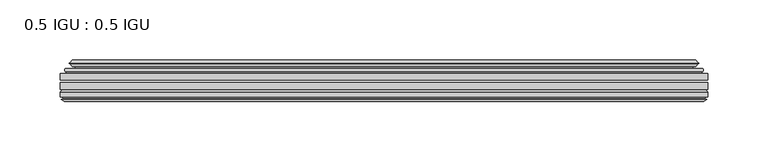
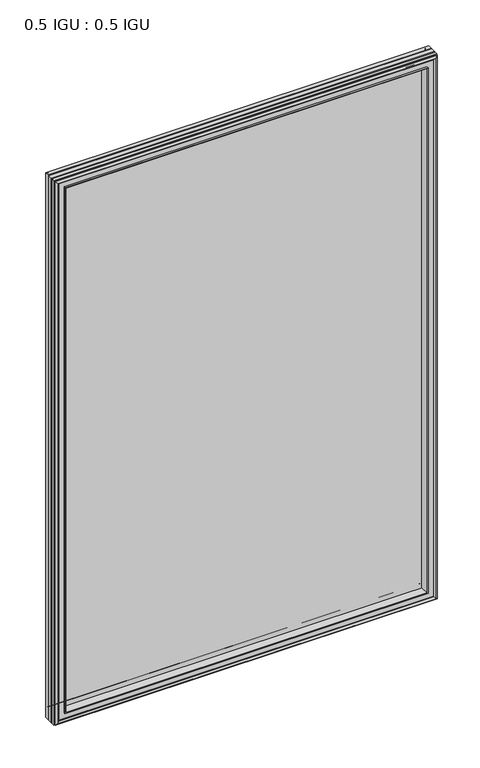
"""IFC4 building model written with IfcOpenShell, lengths in millimetres: plate geometry, 0.5 IGU : 0.5 IGU."""

from ifc_helpers import new_model, si_unit, frame, origin, place, context, project, spatial, polyline, ellipse_curve, outline, extrude, faceted_brep, source, transform, mapped, element, save
from ifc_brep_helpers import plane_surface, cylinder_surface, revolved_surface, advanced_brep


def plate_0_5_igu_0_5_igu_1cdc6102(model_context):
    return source(origin(), model_context, "Body", "SolidModel", [
        extrude(outline(polyline([(268.301675, -55.82285), (268.301675, -61.48705), (-268.2875, -61.48705), (-268.2875, -55.82285), (268.301675, -55.82285)])), frame((0.0, 0.0, -14.2875), z_axis=(0.0, 0.0, 1.0), x_axis=(1.0, 0.0, 0.0)), (0.0, 0.0, 1.0), 806.4537979),
        extrude(outline(polyline([(-268.2875, -69.05625), (-268.2875, -63.39205), (268.301675, -63.39205), (268.301675, -69.05625), (-268.2875, -69.05625)])), frame((0.0, 0.0, -14.2875), z_axis=(0.0, 0.0, 1.0), x_axis=(1.0, 0.0, 0.0)), (0.0, 0.0, 1.0), 806.4537979),
        advanced_brep(
        [(-264.1849626, -54.3724927, 788.0599626), (-263.1404378, -51.60645, 787.0154378), (-263.1404378, -51.60645, -9.1404378), (-264.1849626, -54.3724927, -10.1849626), (-262.548517, -55.82285, 786.423517), (-262.548517, -55.82285, -8.548517), (-254.0, -45.63745, 777.875), (-250.4172761, -55.82285, 774.2922761), (-250.4172761, -55.82285, 3.5827239), (-254.0, -45.63745, 0.0), (-259.1859109, -46.8185491, 783.0609109), (-259.1859109, -46.8185491, -5.1859109), (-258.3888893, -44.8183085, 782.2638893), (-258.3888893, -44.8183085, -4.3888893), (-260.6726111, -47.135817, 784.5476111), (-260.6726111, -47.135817, -6.6726111), (-260.6726111, -47.8489429, 784.5476111), (-260.6726111, -47.8489429, -6.6726111), (-258.3888893, -50.1664515, 782.2638893), (-258.3888893, -50.1664515, -4.3888893), (-259.1782501, -48.1854367, 783.0532501), (-259.1782501, -48.1854367, -5.1782501), (-256.6544379, -48.027045, 780.5294379), (-256.6544379, -48.027045, -2.6544379), (-255.6286217, -48.7147544, 779.5036217), (-255.6286217, -48.7147544, -1.6286217), (-255.7470288, -50.1092231, 779.6220288), (-255.7470288, -50.1092231, -1.7470288), (-256.3487748, -51.60645, 780.2237748), (-256.3487748, -51.60645, -2.3487748), (263.1404378, -51.60645, -9.1404378), (264.1849626, -54.3724927, -10.1849626), (262.548517, -55.82285, -8.548517), (250.4172761, -55.82285, 3.5827239), (254.0, -45.63745, 0.0), (259.1859109, -46.8185491, -5.1859109), (258.3888893, -44.8183085, -4.3888893), (260.6726111, -47.135817, -6.6726111), (260.6726111, -47.8489429, -6.6726111), (258.3888893, -50.1664515, -4.3888893), (259.1782501, -48.1854367, -5.1782501), (256.6544379, -48.027045, -2.6544379), (255.6286217, -48.7147544, -1.6286217), (255.7470288, -50.1092231, -1.7470288), (256.3487748, -51.60645, -2.3487748), (263.1404378, -51.60645, 787.0154378), (264.1849626, -54.3724927, 788.0599626), (262.548517, -55.82285, 786.423517), (250.4172761, -55.82285, 774.2922761), (254.0, -45.63745, 777.875), (259.1859109, -46.8185491, 783.0609109), (258.3888893, -44.8183085, 782.2638893), (260.6726111, -47.135817, 784.5476111), (260.6726111, -47.8489429, 784.5476111), (258.3888893, -50.1664515, 782.2638893), (259.1782501, -48.1854367, 783.0532501), (256.6544379, -48.027045, 780.5294379), (255.6286217, -48.7147544, 779.5036217), (255.7470288, -50.1092231, 779.6220288), (256.3487748, -51.60645, 780.2237748)],
        [
            (0, 1, ellipse_curve(frame((-263.1320703, -53.1898501, 787.0070703), z_axis=(-0.7071067811865475, 0.0, -0.7071067811865475), x_axis=(-0.7071067811865474, 0.0, 0.7071067811865476)), 2.2392971, 1.5834222)),
            (1, 2),
            (2, 3, ellipse_curve(frame((-263.1320703, -53.1898501, -9.1320703), z_axis=(-0.7071067811865475, 0.0, 0.7071067811865475), x_axis=(0.7071067811865474, 0.0, 0.7071067811865476)), 2.2392971, 1.5834222)),
            (3, 0),
            (4, 0),
            (3, 5),
            (5, 4),
            (6, 7, ellipse_curve(frame((-221.720246, -40.0058297, 745.595246), z_axis=(0.7071067811865475, 0.0, 0.7071067811865475), x_axis=(0.7071067811865474, 0.0, -0.7071067811865476)), 46.3399971, 32.7673262)),
            (7, 8),
            (8, 9, ellipse_curve(frame((-221.720246, -40.0058297, 32.279754), z_axis=(0.7071067811865475, 0.0, -0.7071067811865475), x_axis=(-0.7071067811865474, 0.0, -0.7071067811865476)), 46.3399971, 32.7673262)),
            (9, 6),
            (10, 6),
            (9, 11),
            (11, 10),
            (12, 10),
            (11, 13),
            (13, 12),
            (14, 12),
            (13, 15),
            (15, 14),
            (16, 14, ellipse_curve(frame((-260.3107729, -47.49238, 784.1857729), z_axis=(-0.7071067811865475, 0.0, -0.7071067811865475), x_axis=(-0.7071067811865474, 0.0, 0.7071067811865476)), 0.7184205, 0.508)),
            (15, 17, ellipse_curve(frame((-260.3107729, -47.49238, -6.3107729), z_axis=(-0.7071067811865475, 0.0, 0.7071067811865475), x_axis=(0.7071067811865474, 0.0, 0.7071067811865476)), 0.7184205, 0.508)),
            (17, 16),
            (18, 16),
            (17, 19),
            (19, 18),
            (20, 18),
            (19, 21),
            (21, 20),
            (22, 20),
            (21, 23),
            (23, 22),
            (24, 22, ellipse_curve(frame((-256.5908, -49.04105, 780.4658), z_axis=(0.7071067811865475, 0.0, 0.7071067811865475), x_axis=(0.7071067811865474, 0.0, -0.7071067811865476)), 1.436841, 1.016)),
            (23, 25, ellipse_curve(frame((-256.5908, -49.04105, -2.5908), z_axis=(0.7071067811865475, 0.0, -0.7071067811865475), x_axis=(-0.7071067811865474, 0.0, -0.7071067811865476)), 1.436841, 1.016)),
            (25, 24),
            (26, 24, ellipse_curve(frame((-257.9624, -49.21885, 781.8374), z_axis=(0.7071067811865475, 0.0, 0.7071067811865475), x_axis=(0.7071067811865474, 0.0, -0.7071067811865476)), 3.3765763, 2.3876)),
            (25, 27, ellipse_curve(frame((-257.9624, -49.21885, -3.9624), z_axis=(0.7071067811865475, 0.0, -0.7071067811865475), x_axis=(-0.7071067811865474, 0.0, -0.7071067811865476)), 3.3765763, 2.3876)),
            (27, 26),
            (28, 26),
            (27, 29),
            (29, 28),
            (2, 30),
            (30, 31, ellipse_curve(frame((263.1320703, -53.1898501, -9.1320703), z_axis=(-0.7071067811865475, 0.0, -0.7071067811865475), x_axis=(-0.7071067811865476, 0.0, 0.7071067811865474)), 2.2392971, 1.5834222)),
            (31, 3),
            (31, 32),
            (32, 5),
            (8, 33),
            (33, 34, ellipse_curve(frame((221.720246, -40.0058297, 32.279754), z_axis=(0.7071067811865475, 0.0, 0.7071067811865475), x_axis=(0.7071067811865476, 0.0, -0.7071067811865474)), 46.3399971, 32.7673262)),
            (34, 9),
            (34, 35),
            (35, 11),
            (35, 36),
            (36, 13),
            (36, 37),
            (37, 15),
            (37, 38, ellipse_curve(frame((260.3107729, -47.49238, -6.3107729), z_axis=(-0.7071067811865475, 0.0, -0.7071067811865475), x_axis=(-0.7071067811865476, 0.0, 0.7071067811865474)), 0.7184205, 0.508)),
            (38, 17),
            (38, 39),
            (39, 19),
            (39, 40),
            (40, 21),
            (40, 41),
            (41, 23),
            (41, 42, ellipse_curve(frame((256.5908, -49.04105, -2.5908), z_axis=(0.7071067811865475, 0.0, 0.7071067811865475), x_axis=(0.7071067811865476, 0.0, -0.7071067811865474)), 1.436841, 1.016)),
            (42, 25),
            (42, 43, ellipse_curve(frame((257.9624, -49.21885, -3.9624), z_axis=(0.7071067811865475, 0.0, 0.7071067811865475), x_axis=(0.7071067811865476, 0.0, -0.7071067811865474)), 3.3765763, 2.3876)),
            (43, 27),
            (43, 44),
            (44, 29),
            (30, 45),
            (45, 46, ellipse_curve(frame((263.1320703, -53.1898501, 787.0070703), z_axis=(0.7071067811865475, 0.0, -0.7071067811865475), x_axis=(-0.7071067811865474, 0.0, -0.7071067811865476)), 2.2392971, 1.5834222)),
            (46, 31),
            (46, 47),
            (47, 32),
            (33, 48),
            (48, 49, ellipse_curve(frame((221.720246, -40.0058297, 745.595246), z_axis=(-0.7071067811865475, 0.0, 0.7071067811865475), x_axis=(0.7071067811865474, 0.0, 0.7071067811865476)), 46.3399971, 32.7673262)),
            (49, 34),
            (49, 50),
            (50, 35),
            (50, 51),
            (51, 36),
            (51, 52),
            (52, 37),
            (52, 53, ellipse_curve(frame((260.3107729, -47.49238, 784.1857729), z_axis=(0.7071067811865475, 0.0, -0.7071067811865475), x_axis=(-0.7071067811865474, 0.0, -0.7071067811865476)), 0.7184205, 0.508)),
            (53, 38),
            (53, 54),
            (54, 39),
            (54, 55),
            (55, 40),
            (55, 56),
            (56, 41),
            (56, 57, ellipse_curve(frame((256.5908, -49.04105, 780.4658), z_axis=(-0.7071067811865475, 0.0, 0.7071067811865475), x_axis=(0.7071067811865474, 0.0, 0.7071067811865476)), 1.436841, 1.016)),
            (57, 42),
            (57, 58, ellipse_curve(frame((257.9624, -49.21885, 781.8374), z_axis=(-0.7071067811865475, 0.0, 0.7071067811865475), x_axis=(0.7071067811865474, 0.0, 0.7071067811865476)), 3.3765763, 2.3876)),
            (58, 43),
            (58, 59),
            (59, 44),
            (45, 1),
            (0, 46),
            (4, 47),
            (7, 48),
            (6, 49),
            (10, 50),
            (12, 51),
            (14, 52),
            (16, 53),
            (18, 54),
            (20, 55),
            (22, 56),
            (24, 57),
            (26, 58),
            (28, 59),
        ],
        [
            cylinder_surface(frame((-263.1320703, -53.1898501, 809.625), z_axis=(0.0, 0.0, 1.0), x_axis=(-1.0, 0.0, 0.0)), 1.5834222),
            plane_surface(frame((-264.1849626, -54.3724927, 788.0599626), z_axis=(-0.6632745773184306, -0.7483761320907135, 0.0), x_axis=(0.0, 0.0, -1.0))),
            revolved_surface(polyline([(-254.4875722, -40.0058297, -0.48757218957496207), (-254.4875722, -40.0058297, 778.362572189575)]), (-221.720246, -40.0058297, 809.625), (0.0, 0.0, -1.0)),
            plane_surface(frame((-254.0, -45.63745, 777.875), z_axis=(-0.2220649844278743, 0.975031867525902, 0.0), x_axis=(0.0, 0.0, -1.0))),
            plane_surface(frame((-259.1859109, -46.8185491, 783.0609109), z_axis=(0.928968268563027, -0.37015936568323066, 0.0), x_axis=(0.0, 0.0, -1.0))),
            plane_surface(frame((-258.3888893, -44.8183085, 782.2638893), z_axis=(-0.7122798501733482, 0.7018955869907096, 0.0), x_axis=(0.0, 0.0, -1.0))),
            cylinder_surface(frame((-260.3107729, -47.49238, 809.625), z_axis=(0.0, 0.0, 1.0), x_axis=(-1.0, 0.0, 0.0)), 0.508),
            plane_surface(frame((-260.6726111, -47.8489429, 784.5476111), z_axis=(-0.7122798501732925, -0.701895586990766, 0.0), x_axis=(0.0, 0.0, -1.0))),
            plane_surface(frame((-258.3888893, -50.1664515, 782.2638893), z_axis=(0.9289682685628707, 0.3701593656836228, 0.0), x_axis=(0.0, 0.0, -1.0))),
            plane_surface(frame((-259.1782501, -48.1854367, 783.0532501), z_axis=(0.0626357011928498, -0.9980364567169279, 0.0), x_axis=(0.0, 0.0, -1.0))),
            revolved_surface(polyline([(-257.6068, -49.04105, -3.606800014586838), (-257.6068, -49.04105, 781.4818000145868)]), (-256.5908, -49.04105, 809.625), (0.0, 0.0, -1.0)),
            revolved_surface(polyline([(-260.35, -49.21885, -6.3499999989237494), (-260.35, -49.21885, 784.2249999989237)]), (-257.9624, -49.21885, 809.625), (0.0, 0.0, -1.0)),
            plane_surface(frame((-255.7470288, -50.1092231, 779.6220288), z_axis=(-0.9278652925428184, 0.3729155385532094, 0.0), x_axis=(0.0, 0.0, -1.0))),
            cylinder_surface(frame((-285.75, -53.1898501, -9.1320703), z_axis=(-1.0, 0.0, 0.0), x_axis=(0.0, 0.0, -1.0)), 1.5834222),
            plane_surface(frame((-264.1849626, -54.3724927, -10.1849626), z_axis=(0.0, -0.7483761320907157, -0.6632745773184283), x_axis=(1.0, 0.0, 0.0))),
            revolved_surface(polyline([(254.48757218957496, -40.0058297, -0.48757220000000245), (-254.48757218957493, -40.0058297, -0.48757220000000245)]), (-285.75, -40.0058297, 32.279754), (1.0, 0.0, 0.0)),
            plane_surface(frame((-254.0, -45.63745, 0.0), z_axis=(0.0, 0.9750318675259013, -0.22206498442787745), x_axis=(1.0, 0.0, 0.0))),
            plane_surface(frame((-259.1859109, -46.8185491, -5.1859109), z_axis=(0.0, -0.37015936568322766, 0.9289682685630283), x_axis=(1.0, 0.0, 0.0))),
            plane_surface(frame((-258.3888893, -44.8183085, -4.3888893), z_axis=(0.0, 0.7018955869907073, -0.7122798501733504), x_axis=(1.0, 0.0, 0.0))),
            cylinder_surface(frame((-285.75, -47.49238, -6.3107729), z_axis=(-1.0, 0.0, 0.0), x_axis=(0.0, 0.0, -1.0)), 0.508),
            plane_surface(frame((-260.6726111, -47.8489429, -6.6726111), z_axis=(0.0, -0.7018955869907684, -0.7122798501732903), x_axis=(1.0, 0.0, 0.0))),
            plane_surface(frame((-258.3888893, -50.1664515, -4.3888893), z_axis=(0.0, 0.37015936568362584, 0.9289682685628696), x_axis=(1.0, 0.0, 0.0))),
            plane_surface(frame((-259.1782501, -48.1854367, -5.1782501), z_axis=(0.0, -0.9980364567169276, 0.06263570119285301), x_axis=(1.0, 0.0, 0.0))),
            revolved_surface(polyline([(257.60680001458684, -49.04105, -3.6068000000000002), (-257.60680001458684, -49.04105, -3.6068000000000002)]), (-285.75, -49.04105, -2.5908), (1.0, 0.0, 0.0)),
            revolved_surface(polyline([(260.34999999892375, -49.21885, -6.35), (-260.3499999989238, -49.21885, -6.35)]), (-285.75, -49.21885, -3.9624), (1.0, 0.0, 0.0)),
            plane_surface(frame((-255.7470288, -50.1092231, -1.7470288), z_axis=(0.0, 0.3729155385532064, -0.9278652925428196), x_axis=(1.0, 0.0, 0.0))),
            cylinder_surface(frame((263.1320703, -53.1898501, -31.75), z_axis=(0.0, 0.0, -1.0), x_axis=(1.0, 0.0, 0.0)), 1.5834222),
            plane_surface(frame((264.1849626, -54.3724927, -10.1849626), z_axis=(0.6632745773184259, -0.7483761320907178, 0.0), x_axis=(0.0, 0.0, 1.0))),
            revolved_surface(polyline([(254.4875722, -40.0058297, 778.362572189575), (254.4875722, -40.0058297, -0.48757218957494075)]), (221.720246, -40.0058297, -31.75), (0.0, 0.0, 1.0)),
            plane_surface(frame((254.0, -45.63745, 0.0), z_axis=(0.22206498442788056, 0.9750318675259005, 0.0), x_axis=(0.0, 0.0, 1.0))),
            plane_surface(frame((259.1859109, -46.8185491, -5.1859109), z_axis=(-0.9289682685630295, -0.37015936568322466, 0.0), x_axis=(0.0, 0.0, 1.0))),
            plane_surface(frame((258.3888893, -44.8183085, -4.3888893), z_axis=(0.7122798501733526, 0.701895586990705, 0.0), x_axis=(0.0, 0.0, 1.0))),
            cylinder_surface(frame((260.3107729, -47.49238, -31.75), z_axis=(0.0, 0.0, -1.0), x_axis=(1.0, 0.0, 0.0)), 0.508),
            plane_surface(frame((260.6726111, -47.8489429, -6.6726111), z_axis=(0.712279850173288, -0.7018955869907706, 0.0), x_axis=(0.0, 0.0, 1.0))),
            plane_surface(frame((258.3888893, -50.1664515, -4.3888893), z_axis=(-0.9289682685628684, 0.37015936568362884, 0.0), x_axis=(0.0, 0.0, 1.0))),
            plane_surface(frame((259.1782501, -48.1854367, -5.1782501), z_axis=(-0.06263570119285623, -0.9980364567169274, 0.0), x_axis=(0.0, 0.0, 1.0))),
            revolved_surface(polyline([(257.6068, -49.04105, 781.4818000145868), (257.6068, -49.04105, -3.606800014586863)]), (256.5908, -49.04105, -31.75), (0.0, 0.0, 1.0)),
            revolved_surface(polyline([(260.35, -49.21885, 784.2249999989237), (260.35, -49.21885, -6.349999998923781)]), (257.9624, -49.21885, -31.75), (0.0, 0.0, 1.0)),
            plane_surface(frame((255.7470288, -50.1092231, -1.7470288), z_axis=(0.9278652925428208, 0.3729155385532034, 0.0), x_axis=(0.0, 0.0, 1.0))),
            cylinder_surface(frame((285.75, -53.1898501, 787.0070703), z_axis=(1.0, 0.0, 0.0), x_axis=(0.0, 0.0, 1.0)), 1.5834222),
            plane_surface(frame((264.1849626, -54.3724927, 788.0599626), z_axis=(0.0, -0.7483761320907157, 0.6632745773184283), x_axis=(-1.0, 0.0, 0.0))),
            plane_surface(frame((262.548517, -55.82285, 786.423517), z_axis=(0.0, -1.0, 0.0), x_axis=(-1.0, 0.0, 0.0))),
            revolved_surface(polyline([(-254.48757218957496, -40.0058297, 778.3625721999999), (254.48757218957493, -40.0058297, 778.3625721999999)]), (285.75, -40.0058297, 745.595246), (-1.0, 0.0, 0.0)),
            plane_surface(frame((254.0, -45.63745, 777.875), z_axis=(0.0, 0.9750318675259012, 0.22206498442787742), x_axis=(-1.0, 0.0, 0.0))),
            plane_surface(frame((259.1859109, -46.8185491, 783.0609109), z_axis=(0.0, -0.37015936568322766, -0.9289682685630283), x_axis=(-1.0, 0.0, 0.0))),
            plane_surface(frame((258.3888893, -44.8183085, 782.2638893), z_axis=(0.0, 0.7018955869907073, 0.7122798501733504), x_axis=(-1.0, 0.0, 0.0))),
            cylinder_surface(frame((285.75, -47.49238, 784.1857729), z_axis=(1.0, 0.0, 0.0), x_axis=(0.0, 0.0, 1.0)), 0.508),
            plane_surface(frame((260.6726111, -47.8489429, 784.5476111), z_axis=(0.0, -0.7018955869907684, 0.7122798501732903), x_axis=(-1.0, 0.0, 0.0))),
            plane_surface(frame((258.3888893, -50.1664515, 782.2638893), z_axis=(0.0, 0.37015936568362584, -0.9289682685628696), x_axis=(-1.0, 0.0, 0.0))),
            plane_surface(frame((259.1782501, -48.1854367, 783.0532501), z_axis=(0.0, -0.9980364567169276, -0.06263570119285301), x_axis=(-1.0, 0.0, 0.0))),
            revolved_surface(polyline([(-257.60680001458684, -49.04105, 781.4817999999999), (257.60680001458684, -49.04105, 781.4817999999999)]), (285.75, -49.04105, 780.4658), (-1.0, 0.0, 0.0)),
            revolved_surface(polyline([(-260.34999999892375, -49.21885, 784.225), (260.3499999989238, -49.21885, 784.225)]), (285.75, -49.21885, 781.8374), (-1.0, 0.0, 0.0)),
            plane_surface(frame((255.7470288, -50.1092231, 779.6220288), z_axis=(0.0, 0.3729155385532064, 0.9278652925428196), x_axis=(-1.0, 0.0, 0.0))),
            plane_surface(frame((256.3487748, -51.60645, 780.2237748), z_axis=(0.0, 1.0, 0.0), x_axis=(-1.0, 0.0, 0.0))),
        ],
        [
            (0, [[1, 2, 3, 4]]),
            (1, [[5, -4, 6, 7]]),
            (2, [[8, 9, 10, 11]]),
            (3, [[12, -11, 13, 14]]),
            (4, [[15, -14, 16, 17]]),
            (5, [[18, -17, 19, 20]]),
            (6, [[21, -20, 22, 23]]),
            (7, [[24, -23, 25, 26]]),
            (8, [[27, -26, 28, 29]]),
            (9, [[30, -29, 31, 32]]),
            (10, [[33, -32, 34, 35]]),
            (11, [[36, -35, 37, 38]]),
            (12, [[39, -38, 40, 41]]),
            (13, [[-3, 42, 43, 44]]),
            (14, [[-6, -44, 45, 46]]),
            (15, [[-10, 47, 48, 49]]),
            (16, [[-13, -49, 50, 51]]),
            (17, [[-16, -51, 52, 53]]),
            (18, [[-19, -53, 54, 55]]),
            (19, [[-22, -55, 56, 57]]),
            (20, [[-25, -57, 58, 59]]),
            (21, [[-28, -59, 60, 61]]),
            (22, [[-31, -61, 62, 63]]),
            (23, [[-34, -63, 64, 65]]),
            (24, [[-37, -65, 66, 67]]),
            (25, [[-40, -67, 68, 69]]),
            (26, [[-43, 70, 71, 72]]),
            (27, [[-45, -72, 73, 74]]),
            (28, [[-48, 75, 76, 77]]),
            (29, [[-50, -77, 78, 79]]),
            (30, [[-52, -79, 80, 81]]),
            (31, [[-54, -81, 82, 83]]),
            (32, [[-56, -83, 84, 85]]),
            (33, [[-58, -85, 86, 87]]),
            (34, [[-60, -87, 88, 89]]),
            (35, [[-62, -89, 90, 91]]),
            (36, [[-64, -91, 92, 93]]),
            (37, [[-66, -93, 94, 95]]),
            (38, [[-68, -95, 96, 97]]),
            (39, [[-71, 98, -1, 99]]),
            (40, [[-73, -99, -5, 100]]),
            (41, [[-46, -74, -100, -7], [101, -75, -47, -9]]),
            (42, [[-76, -101, -8, 102]]),
            (43, [[-78, -102, -12, 103]]),
            (44, [[-80, -103, -15, 104]]),
            (45, [[-82, -104, -18, 105]]),
            (46, [[-84, -105, -21, 106]]),
            (47, [[-86, -106, -24, 107]]),
            (48, [[-88, -107, -27, 108]]),
            (49, [[-90, -108, -30, 109]]),
            (50, [[-92, -109, -33, 110]]),
            (51, [[-94, -110, -36, 111]]),
            (52, [[-96, -111, -39, 112]]),
            (53, [[-98, -70, -42, -2], [-69, -97, -112, -41]]),
        ],
    ),
        faceted_brep([(-250.1457827, -69.05625, 774.0207827), (-252.7120798, -77.94625, 776.5870798), (-252.7120798, -77.94625, 1.2879202), (-250.1457827, -69.05625, 3.8542173), (-268.3002, -71.2633102, 792.1752), (-266.0931398, -69.05625, 789.9681398), (-266.0931398, -69.05625, -12.0931398), (-268.3002, -71.2633102, -14.3002), (-268.3002, -75.40625, 792.1752), (-268.3002, -75.40625, -14.3002), (-265.8811775, -76.58989, 789.7561775), (-266.7508, -75.40625, 790.6258), (-266.7508, -75.40625, -12.7508), (-265.8811775, -76.58989, -11.8811775), (-265.684, -77.8875884, 789.559), (-265.684, -77.8875884, -11.684), (-266.65966, -77.3578917, 790.53466), (-266.65966, -77.3578917, -12.65966), (-265.1252, -79.1749663, 789.0002), (-267.4523305, -77.3578917, 791.3273305), (-267.4523305, -77.3578917, -13.4523305), (-265.1252, -79.1749663, -11.1252), (-262.7980695, -77.3578917, 786.6730695), (-262.7980695, -77.3578917, -8.7980695), (-264.5664, -77.8875884, 788.4414), (-263.59074, -77.3578917, 787.46574), (-263.59074, -77.3578917, -9.59074), (-264.5664, -77.8875884, -10.5664), (-264.3692225, -76.58989, 788.2442225), (-264.3692225, -76.58989, -10.3692225), (-263.4996, -75.40625, 787.3746), (-263.4996, -75.40625, -9.4996), (-254.3513667, -77.94625, 778.2263667), (-253.8222, -75.40625, 777.6972), (-253.8222, -75.40625, 0.1778), (-254.3513667, -77.94625, -0.3513667), (252.7120798, -77.94625, 1.2879202), (250.1457827, -69.05625, 3.8542173), (266.0931398, -69.05625, -12.0931398), (268.3002, -71.2633102, -14.3002), (268.3002, -75.40625, -14.3002), (266.7508, -75.40625, -12.7508), (265.8811775, -76.58989, -11.8811775), (265.684, -77.8875884, -11.684), (266.65966, -77.3578917, -12.65966), (267.4523305, -77.3578917, -13.4523305), (265.1252, -79.1749663, -11.1252), (262.7980695, -77.3578917, -8.7980695), (263.59074, -77.3578917, -9.59074), (264.5664, -77.8875884, -10.5664), (264.3692225, -76.58989, -10.3692225), (263.4996, -75.40625, -9.4996), (253.8222, -75.40625, 0.1778), (254.3513667, -77.94625, -0.3513667), (252.7120798, -77.94625, 776.5870798), (250.1457827, -69.05625, 774.0207827), (266.0931398, -69.05625, 789.9681398), (268.3002, -71.2633102, 792.1752), (268.3002, -75.40625, 792.1752), (266.7508, -75.40625, 790.6258), (265.8811775, -76.58989, 789.7561775), (265.684, -77.8875884, 789.559), (266.65966, -77.3578917, 790.53466), (267.4523305, -77.3578917, 791.3273305), (265.1252, -79.1749663, 789.0002), (262.7980695, -77.3578917, 786.6730695), (263.59074, -77.3578917, 787.46574), (264.5664, -77.8875884, 788.4414), (264.3692225, -76.58989, 788.2442225), (263.4996, -75.40625, 787.3746), (253.8222, -75.40625, 777.6972), (254.3513667, -77.94625, 778.2263667)], [[[0, 1, 2, 3]], [[4, 5, 6, 7]], [[8, 4, 7, 9]], [[10, 11, 12, 13]], [[14, 10, 13, 15]], [[16, 14, 15, 17]], [[18, 19, 20, 21]], [[22, 18, 21, 23]], [[24, 25, 26, 27]], [[28, 24, 27, 29]], [[30, 28, 29, 31]], [[32, 33, 34, 35]], [[3, 2, 36, 37]], [[7, 6, 38, 39]], [[9, 7, 39, 40]], [[13, 12, 41, 42]], [[15, 13, 42, 43]], [[17, 15, 43, 44]], [[21, 20, 45, 46]], [[23, 21, 46, 47]], [[27, 26, 48, 49]], [[29, 27, 49, 50]], [[31, 29, 50, 51]], [[35, 34, 52, 53]], [[37, 36, 54, 55]], [[39, 38, 56, 57]], [[40, 39, 57, 58]], [[42, 41, 59, 60]], [[43, 42, 60, 61]], [[44, 43, 61, 62]], [[46, 45, 63, 64]], [[47, 46, 64, 65]], [[49, 48, 66, 67]], [[50, 49, 67, 68]], [[51, 50, 68, 69]], [[53, 52, 70, 71]], [[55, 54, 1, 0]], [[5, 56, 38, 6], [3, 37, 55, 0]], [[57, 56, 5, 4]], [[58, 57, 4, 8]], [[9, 40, 58, 8], [11, 59, 41, 12]], [[60, 59, 11, 10]], [[61, 60, 10, 14]], [[62, 61, 14, 16]], [[19, 63, 45, 20], [17, 44, 62, 16]], [[64, 63, 19, 18]], [[65, 64, 18, 22]], [[25, 66, 48, 26], [23, 47, 65, 22]], [[67, 66, 25, 24]], [[68, 67, 24, 28]], [[69, 68, 28, 30]], [[31, 51, 69, 30], [33, 70, 52, 34]], [[71, 70, 33, 32]], [[35, 53, 71, 32], [1, 54, 36, 2]]]),
    ])


if __name__ == "__main__":
    model = new_model("IFC4")
    model_context = context("Model", 3, world=origin())
    ifc_project = project(units=[si_unit("LENGTHUNIT", "METRE", prefix="MILLI")], contexts=[model_context])
    site = spatial("IfcSite", under=ifc_project)
    building = spatial("IfcBuilding", under=site)
    placement = place(None, origin())
    plate_0_5_igu_0_5_igu_shape = plate_0_5_igu_0_5_igu_1cdc6102(model_context)
    element("IfcPlate", 1, ObjectType="0.5 IGU : 0.5 IGU", at=placement, inside=building, context=model_context, shape_type="MappedRepresentation", body=[
        mapped(plate_0_5_igu_0_5_igu_shape, transform((0.0, 0.0, 0.0), x_axis=(1.0, 0.0, 0.0), y_axis=(0.0, 1.0, 0.0), z_axis=(0.0, 0.0, 1.0))),
    ])
    save(model, "model.ifc")
